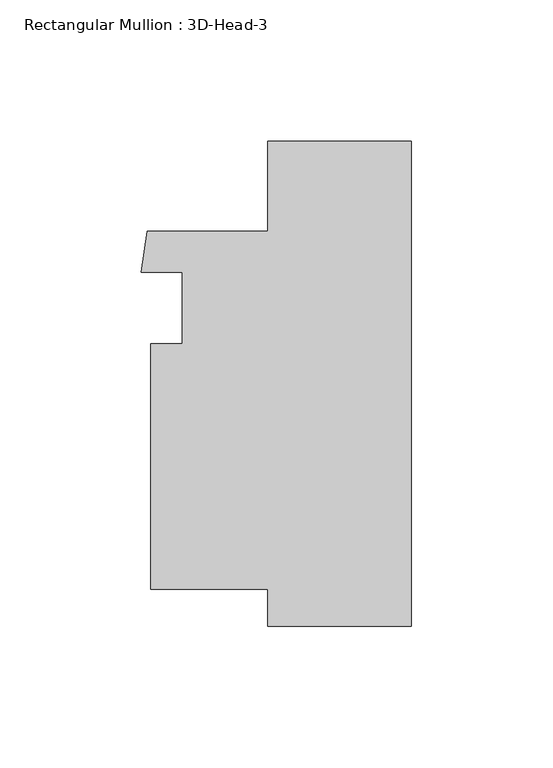
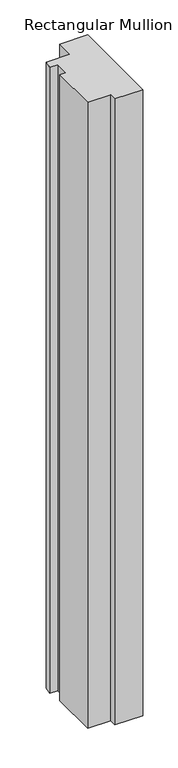
"""IFC4 building model written with IfcOpenShell, lengths in millimetres: member geometry, Rectangular Mullion : 3D-Head-3."""

from ifc_helpers import new_model, si_unit, frame, origin, place, context, project, spatial, polyline, outline, extrude, source, transform, mapped, element, save


def rectangular_mullion_3d_head_3_3a67c73b(model_context):
    return source(origin(), model_context, "Body", "SweptSolid", [
        extrude(outline(polyline([(-50.7999996, 85.7249999), (0.0, 85.7249999), (0.0, -85.7249999), (-50.8322656, -85.7249999), (-50.8322656, -72.769969), (-92.0749997, -72.769969), (-92.0749997, 14.0725059), (-80.9624997, 14.0725059), (-80.9624997, 39.4715716), (-95.4711321, 39.4715716), (-93.415382, 53.976031), (-50.7999996, 53.976031), (-50.7999996, 85.7249999)])), frame((0.0, 0.0, -1190.625), z_axis=(0.0, 0.0, 1.0), x_axis=(1.0, 0.0, 0.0)), (0.0, 0.0, 1.0), 1190.625),
    ])


if __name__ == "__main__":
    model = new_model("IFC4")
    model_context = context("Model", 3, world=origin())
    ifc_project = project(units=[si_unit("LENGTHUNIT", "METRE", prefix="MILLI")], contexts=[model_context])
    site = spatial("IfcSite", under=ifc_project)
    building = spatial("IfcBuilding", under=site)
    placement = place(None, origin())
    rectangular_mullion_3d_head_3_shape = rectangular_mullion_3d_head_3_3a67c73b(model_context)
    element("IfcMember", 1, ObjectType="Rectangular Mullion : 3D-Head-3", at=placement, inside=building, context=model_context, shape_type="MappedRepresentation", body=[
        mapped(rectangular_mullion_3d_head_3_shape, transform((0.0, 0.0, 0.0), x_axis=(1.0, 0.0, 0.0), y_axis=(0.0, 1.0, 0.0), z_axis=(0.0, 0.0, 1.0))),
    ])
    save(model, "model.ifc")
